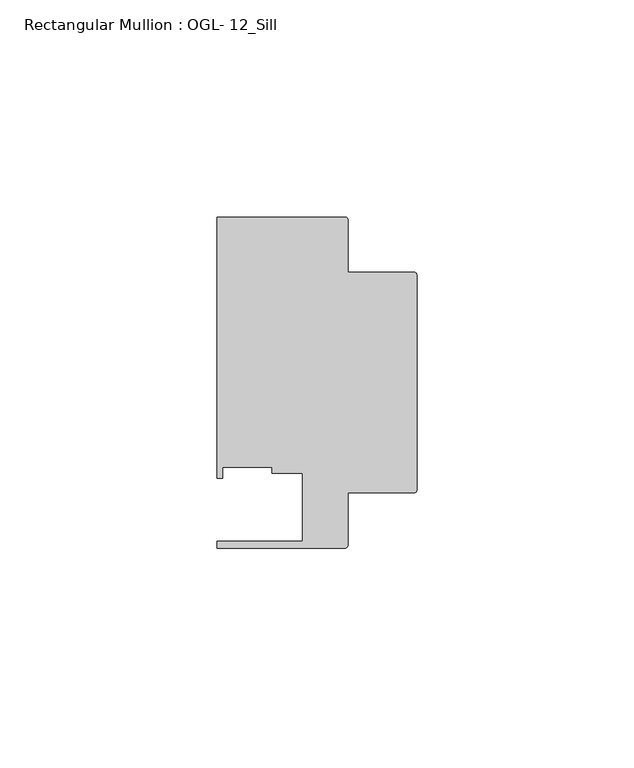
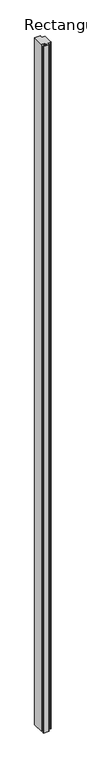
"""IFC4 building model written with IfcOpenShell, lengths in millimetres: member geometry, Rectangular Mullion : OGL- 12_Sill."""

from ifc_helpers import new_model, si_unit, point, frame, frame_2d, origin, place, context, project, spatial, polyline, circle_curve, trimmed, segment, composite_curve, outline, extrude, source, transform, mapped, element, save


def rectangular_mullion_ogl_12_sill_b81dd572(model_context):
    return source(origin(), model_context, "Body", "SweptSolid", [
        extrude(outline(composite_curve([segment(trimmed(circle_curve(frame_2d((-0.5953125, 24.8046875)), 0.5953125), [point((-0.5953125, 25.4))], [point((0.0, 24.8046875))], False, "CARTESIAN"), True, "CONTINUOUS"), segment(polyline([(0.0, 24.8046875), (0.0, -24.8046875)]), True, "CONTINUOUS"), segment(trimmed(circle_curve(frame_2d((-0.5953125, -24.8046875)), 0.5953125), [point((0.0, -24.8046875))], [point((-0.5953125, -25.4))], False, "CARTESIAN"), True, "CONTINUOUS"), segment(polyline([(-0.5953125, -25.4), (-15.8750672, -25.4), (-15.8750672, -37.5047035)]), True, "CONTINUOUS"), segment(trimmed(circle_curve(frame_2d((-16.4703797, -37.5047035)), 0.5953125), [point((-15.8750672, -37.5047035))], [point((-16.4703797, -38.100016))], False, "CARTESIAN"), True, "CONTINUOUS"), segment(polyline([(-16.4703797, -38.100016), (-46.0248655, -38.100016), (-46.0248655, -36.512516), (-26.3720794, -36.512516), (-26.3720794, -20.8257348), (-33.3985545, -20.8257348), (-33.3985545, -19.4824275), (-44.7780305, -19.4824275), (-44.7780305, -21.9710976), (-46.0339598, -21.9710976), (-46.0339598, 38.0996792), (-16.4703797, 38.0996792)]), True, "CONTINUOUS"), segment(trimmed(circle_curve(frame_2d((-16.4703797, 37.5043667)), 0.5953125), [point((-16.4703797, 38.0996792))], [point((-15.8750672, 37.5043667))], False, "CARTESIAN"), True, "CONTINUOUS"), segment(polyline([(-15.8750672, 37.5043667), (-15.8750672, 25.4), (-0.5953125, 25.4)]), True, "CONTINUOUS")], self_intersect=False)), frame((0.0, 0.0, -3717.9320804), z_axis=(0.0, 0.0, 1.0), x_axis=(1.0, 0.0, 0.0)), (0.0, 0.0, 1.0), 3717.9320804),
    ])


if __name__ == "__main__":
    model = new_model("IFC4")
    model_context = context("Model", 3, world=origin())
    ifc_project = project(units=[si_unit("LENGTHUNIT", "METRE", prefix="MILLI")], contexts=[model_context])
    site = spatial("IfcSite", under=ifc_project)
    building = spatial("IfcBuilding", under=site)
    placement = place(None, origin())
    rectangular_mullion_ogl_12_sill_shape = rectangular_mullion_ogl_12_sill_b81dd572(model_context)
    element("IfcMember", 1, ObjectType="Rectangular Mullion : OGL- 12_Sill", at=placement, inside=building, context=model_context, shape_type="MappedRepresentation", body=[
        mapped(rectangular_mullion_ogl_12_sill_shape, transform((0.0, 0.0, 0.0), x_axis=(1.0, 0.0, 0.0), y_axis=(0.0, 1.0, 0.0), z_axis=(0.0, 0.0, 1.0))),
    ])
    save(model, "model.ifc")
